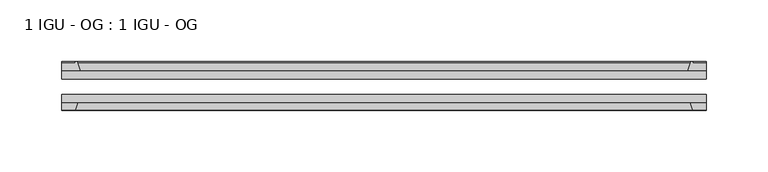
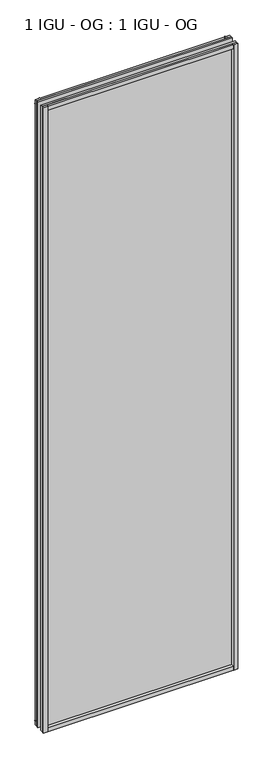
"""IFC4 building model written with IfcOpenShell, lengths in millimetres: plate geometry, 1 IGU - OG : 1 IGU - OG."""

from ifc_helpers import new_model, si_unit, point, frame, frame_2d, origin, place, context, project, spatial, polyline, circle_curve, trimmed, segment, composite_curve, outline, extrude, source, transform, mapped, element, save


def plate_1_igu_og_1_igu_og_346f69c3(model_context):
    return source(origin(), model_context, "Body", "SweptSolid", [
        extrude(outline(polyline([(261.9375, -31.75), (261.9375, -38.1), (-261.9375, -38.1), (-261.9375, -31.75), (261.9375, -31.75)])), frame((0.0, 0.0, -11.1125), z_axis=(0.0, 0.0, 1.0), x_axis=(1.0, 0.0, 0.0)), (0.0, 0.0, 1.0), 1781.175),
        extrude(outline(polyline([(-261.9375, -12.7), (261.9375, -12.7), (261.9375, -19.05), (-261.9375, -19.05), (-261.9375, -12.7)])), frame((0.0, 0.0, -11.1125), z_axis=(0.0, 0.0, 1.0), x_axis=(1.0, 0.0, 0.0)), (0.0, 0.0, 1.0), 1781.175),
        extrude(outline(composite_curve([segment(polyline([(-246.6017091, -12.7), (-261.9375, -12.7), (-261.9375, -6.35), (-250.825, -6.35), (-250.825, -4.7751661), (-249.895586, -4.7751661)]), True, "CONTINUOUS"), segment(trimmed(circle_curve(frame_2d((-249.895586, -5.5371661)), 0.762), [point((-249.895586, -4.7751661))], [point((-249.1533761, -5.364631))], False, "CARTESIAN"), True, "CONTINUOUS"), segment(trimmed(circle_curve(frame_2d((-213.5241579, 2.9177851)), 36.5792237), [point((-249.1533761, -5.364631))], [point((-246.6017091, -12.7))], True, "CARTESIAN"), True, "CONTINUOUS")], self_intersect=False)), frame((0.0, 0.0, -11.1125), z_axis=(0.0, 0.0, 1.0), x_axis=(1.0, 0.0, 0.0)), (0.0, 0.0, 1.0), 1781.175),
        extrude(outline(polyline([(-261.9375, -38.1), (-248.7197229, -38.1), (-250.825, -44.45), (-261.9375, -44.45), (-261.9375, -38.1)])), frame((0.0, 0.0, -11.1125), z_axis=(0.0, 0.0, 1.0), x_axis=(1.0, 0.0, 0.0)), (0.0, 0.0, 1.0), 1781.175),
        extrude(outline(composite_curve([segment(trimmed(circle_curve(frame_2d((249.895586, -5.5371661)), 0.762), [point((249.1533761, -5.364631))], [point((249.895586, -4.7751661))], False, "CARTESIAN"), True, "CONTINUOUS"), segment(polyline([(249.895586, -4.7751661), (250.825, -4.7751661), (250.825, -6.35), (261.9375, -6.35), (261.9375, -12.7), (246.6017091, -12.7)]), True, "CONTINUOUS"), segment(trimmed(circle_curve(frame_2d((213.5241579, 2.9177851)), 36.5792237), [point((246.6017091, -12.7))], [point((249.1533761, -5.364631))], True, "CARTESIAN"), True, "CONTINUOUS")], self_intersect=False)), frame((0.0, 0.0, -11.1125), z_axis=(0.0, 0.0, 1.0), x_axis=(1.0, 0.0, 0.0)), (0.0, 0.0, 1.0), 1781.175),
        extrude(outline(polyline([(248.7197229, -38.1), (261.9375, -38.1), (261.9375, -44.45), (250.825, -44.45), (248.7197229, -38.1)])), frame((0.0, 0.0, -11.1125), z_axis=(0.0, 0.0, 1.0), x_axis=(1.0, 0.0, 0.0)), (0.0, 0.0, 1.0), 1781.175),
        extrude(outline(composite_curve([segment(polyline([(-12.7, -11.1125), (-12.7, 4.2232909)]), True, "CONTINUOUS"), segment(trimmed(circle_curve(frame_2d((2.9177851, 37.3008421)), 36.5792237), [point((-12.7, 4.2232909))], [point((-5.364631, 1.6716239))], True, "CARTESIAN"), True, "CONTINUOUS"), segment(trimmed(circle_curve(frame_2d((-5.5371661, 0.929414)), 0.762), [point((-5.364631, 1.6716239))], [point((-4.7751661, 0.929414))], False, "CARTESIAN"), True, "CONTINUOUS"), segment(polyline([(-4.7751661, 0.929414), (-4.7751661, 0.0), (-6.35, 0.0), (-6.35, -11.1125), (-12.7, -11.1125)]), True, "CONTINUOUS")], self_intersect=False)), frame((-261.9375, 0.0, 0.0), z_axis=(1.0, 0.0, 0.0), x_axis=(0.0, 1.0, 0.0)), (0.0, 0.0, 1.0), 523.875),
        extrude(outline(polyline([(-38.1, 2.1052771), (-38.1, -11.1125), (-44.45, -11.1125), (-44.45, 0.0), (-38.1, 2.1052771)])), frame((-261.9375, 0.0, 0.0), z_axis=(1.0, 0.0, 0.0), x_axis=(0.0, 1.0, 0.0)), (0.0, 0.0, 1.0), 523.875),
        extrude(outline(composite_curve([segment(trimmed(circle_curve(frame_2d((2.9177851, 1721.6491578)), 36.5792237), [point((-5.364631, 1757.278376))], [point((-12.7, 1754.7267091))], True, "CARTESIAN"), True, "CONTINUOUS"), segment(polyline([(-12.7, 1754.7267091), (-12.7, 1770.0625), (-6.35, 1770.0625), (-6.35, 1758.95), (-4.7751661, 1758.95), (-4.7751661, 1758.020586)]), True, "CONTINUOUS"), segment(trimmed(circle_curve(frame_2d((-5.5371661, 1758.020586)), 0.762), [point((-4.7751661, 1758.020586))], [point((-5.364631, 1757.278376))], False, "CARTESIAN"), True, "CONTINUOUS")], self_intersect=False)), frame((-261.9375, 0.0, 0.0), z_axis=(1.0, 0.0, 0.0), x_axis=(0.0, 1.0, 0.0)), (0.0, 0.0, 1.0), 523.875),
        extrude(outline(polyline([(-38.1, 1770.0625), (-38.1, 1756.8447229), (-44.45, 1758.95), (-44.45, 1770.0625), (-38.1, 1770.0625)])), frame((-261.9375, 0.0, 0.0), z_axis=(1.0, 0.0, 0.0), x_axis=(0.0, 1.0, 0.0)), (0.0, 0.0, 1.0), 523.875),
    ])


if __name__ == "__main__":
    model = new_model("IFC4")
    model_context = context("Model", 3, world=origin())
    ifc_project = project(units=[si_unit("LENGTHUNIT", "METRE", prefix="MILLI")], contexts=[model_context])
    site = spatial("IfcSite", under=ifc_project)
    building = spatial("IfcBuilding", under=site)
    placement = place(None, origin())
    plate_1_igu_og_1_igu_og_shape = plate_1_igu_og_1_igu_og_346f69c3(model_context)
    element("IfcPlate", 1, ObjectType="1 IGU - OG : 1 IGU - OG", at=placement, inside=building, context=model_context, shape_type="MappedRepresentation", body=[
        mapped(plate_1_igu_og_1_igu_og_shape, transform((0.0, 0.0, 0.0), x_axis=(1.0, 0.0, 0.0), y_axis=(0.0, 1.0, 0.0), z_axis=(0.0, 0.0, 1.0))),
    ])
    save(model, "model.ifc")
